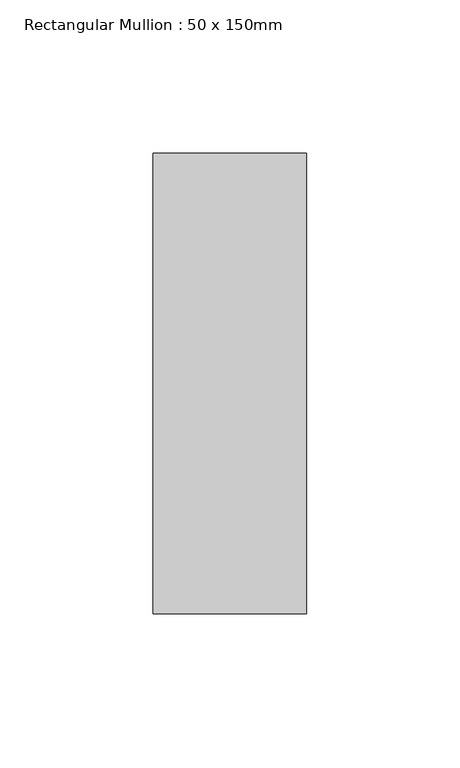
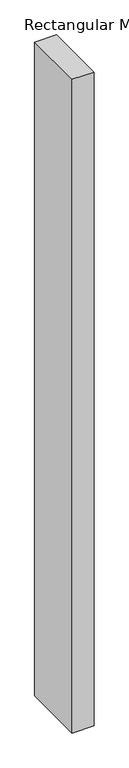
"""IFC4 building model written with IfcOpenShell, lengths in millimetres: member geometry, Rectangular Mullion : 50 x 150mm."""

from ifc_helpers import new_model, si_unit, frame, origin, place, context, project, spatial, polyline, outline, extrude, source, transform, mapped, element, save


def rectangular_mullion_50_x_150mm_fe46f956(model_context):
    return source(origin(), model_context, "Body", "SweptSolid", [
        extrude(outline(polyline([(25.0, 75.0), (25.0, -75.0), (-25.0, -75.0), (-25.0, 75.0), (25.0, 75.0)])), frame((0.0, 0.0, -1594.0), z_axis=(0.0, 0.0, 1.0), x_axis=(1.0, 0.0, 0.0)), (0.0, 0.0, 1.0), 1594.0),
    ])


if __name__ == "__main__":
    model = new_model("IFC4")
    model_context = context("Model", 3, world=origin())
    ifc_project = project(units=[si_unit("LENGTHUNIT", "METRE", prefix="MILLI")], contexts=[model_context])
    site = spatial("IfcSite", under=ifc_project)
    building = spatial("IfcBuilding", under=site)
    placement = place(None, origin())
    rectangular_mullion_50_x_150mm_shape = rectangular_mullion_50_x_150mm_fe46f956(model_context)
    element("IfcMember", 1, ObjectType="Rectangular Mullion : 50 x 150mm", at=placement, inside=building, context=model_context, shape_type="MappedRepresentation", body=[
        mapped(rectangular_mullion_50_x_150mm_shape, transform((0.0, 0.0, 0.0), x_axis=(1.0, 0.0, 0.0), y_axis=(0.0, 1.0, 0.0), z_axis=(0.0, 0.0, 1.0))),
    ])
    save(model, "model.ifc")
